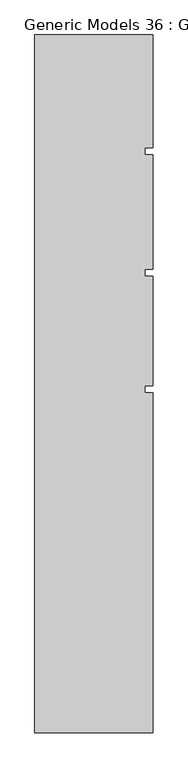
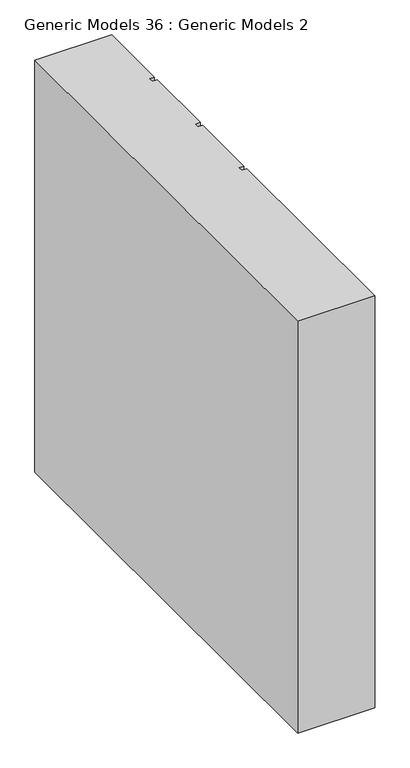
"""IFC4 building model written with IfcOpenShell, lengths in millimetres: proxy geometry, Generic Models 36 : Generic Models 2."""

from ifc_helpers import new_model, si_unit, frame, origin, place, context, project, spatial, polyline, outline, extrude, source, transform, mapped, element, save


def generic_models_36_generic_models_2_25b731dd(model_context):
    return source(origin(), model_context, "Body", "SweptSolid", [
        extrude(outline(polyline([(5233.0647246, -12592.9629303), (5720.1069397, -12592.9629303), (5720.1069397, -13057.3723427), (5688.4644391, -13057.3723427), (5688.4644391, -13087.4057756), (5720.1069397, -13087.4057756), (5720.1069397, -13557.3723427), (5688.4644391, -13557.3723427), (5688.4644391, -13587.4057756), (5720.1069397, -13587.4057756), (5720.1069397, -14037.3723427), (5688.4644391, -14037.3723427), (5688.4644391, -14067.4057756), (5720.1069397, -14067.4057756), (5720.1069397, -15468.6154552), (5233.0647246, -15468.6154552), (5233.0647246, -12592.9629303)])), frame((0.0, 0.0, 15000.0), z_axis=(0.0, 0.0, 1.0), x_axis=(1.0, 0.0, 0.0)), (0.0, 0.0, 1.0), 2749.5729526),
    ])


if __name__ == "__main__":
    model = new_model("IFC4")
    model_context = context("Model", 3, world=origin())
    ifc_project = project(units=[si_unit("LENGTHUNIT", "METRE", prefix="MILLI")], contexts=[model_context])
    site = spatial("IfcSite", under=ifc_project)
    building = spatial("IfcBuilding", under=site)
    placement = place(None, origin())
    generic_models_36_generic_models_2_shape = generic_models_36_generic_models_2_25b731dd(model_context)
    element("IfcBuildingElementProxy", 1, Name="Generic Models 36 : Generic Models 2", ObjectType="Generic Models 36 : Generic Models 2", at=placement, inside=building, context=model_context, shape_type="MappedRepresentation", body=[
        mapped(generic_models_36_generic_models_2_shape, transform((0.0, 0.0, 0.0), x_axis=(1.0, 0.0, 0.0), y_axis=(0.0, 1.0, 0.0), z_axis=(0.0, 0.0, 1.0))),
    ])
    save(model, "model.ifc")
